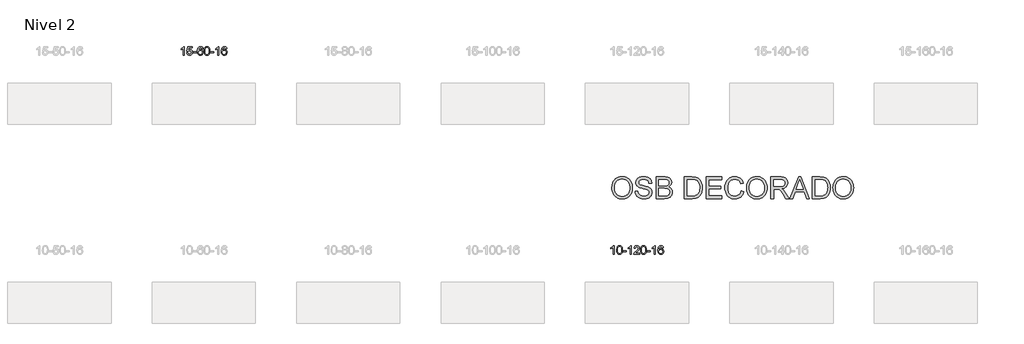
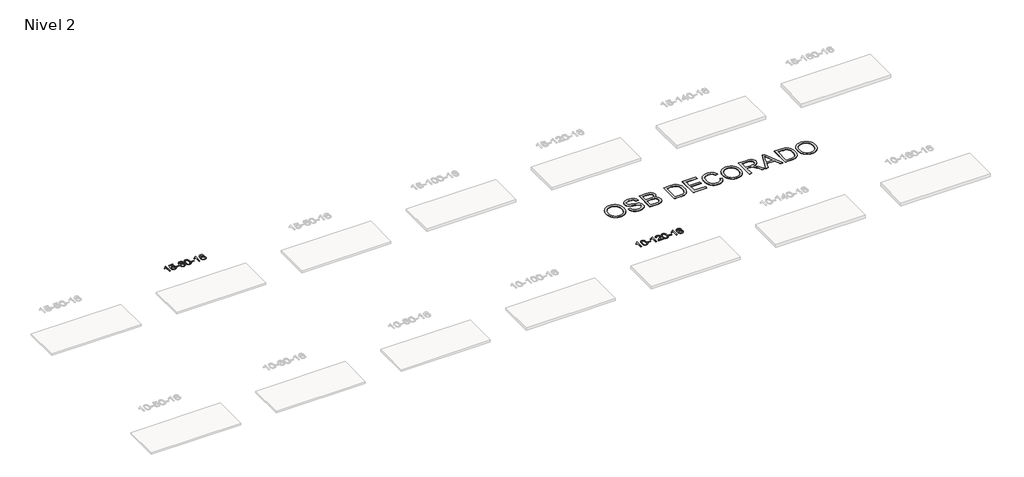
# One storey, part 31 of 51: 3 proxies.
"""IFC4 building model written with IfcOpenShell, lengths in millimetres."""

from ifc_helpers import new_model, si_unit, frame, origin, place, context, project, spatial, polyline, outline, extrude, element, save

model = new_model("IFC4")

# Units and contexts
model_context = context("Model", 3, world=origin())
ifc_project = project(units=[si_unit("LENGTHUNIT", "METRE", prefix="MILLI")], contexts=[model_context])

# Site, building, storey
site = spatial("IfcSite", under=ifc_project)
building = spatial("IfcBuilding", under=site)
storey = spatial("IfcBuildingStorey", under=building, Name="Nivel 2", Elevation=3000.0)

# Proxies
placement = place(None, origin())
element("IfcBuildingElementProxy", 1, Name="Texto de modelo 1", ObjectType="Texto de modelo 1", at=placement, inside=storey, context=model_context, shape_type="SweptSolid", body=[
    extrude(outline(polyline([(4824.6154698, -77088.6860497), (4774.3873148, -77088.6860497), (4774.3873148, -76775.5448954), (4753.418041, -76792.5042554), (4726.80791, -76809.4390899), (4673.9310046, -76834.7984221), (4673.9310046, -76787.3171193), (4713.3802172, -76765.8573362), (4747.5564546, -76740.3263258), (4774.4976794, -76713.1766345), (4792.2418543, -76686.8608091), (4824.6154698, -76686.8608091), (4824.6154698, -77088.6860497)])), frame((0.0, 0.0, 3000.0), z_axis=(0.0, 0.0, 1.0), x_axis=(1.0, 0.0, 0.0)), (0.0, 0.0, 1.0), 10.0),
    extrude(outline(polyline([(4943.9073381, -76981.9512202), (4994.1354932, -76975.6727008), (5003.3570686, -77005.8267617), (5019.4457745, -77027.4214348), (5042.3280346, -77040.4076692), (5071.9302725, -77044.736414), (5091.0601362, -77043.2311636), (5107.933657, -77038.7154121), (5122.550835, -77031.1891596), (5134.91167, -77020.6524061), (5144.7402507, -77007.6263178), (5151.7606654, -76992.6320608), (5157.3769972, -76956.7390408), (5152.1162847, -76922.9429482), (5145.540394, -76909.024746), (5136.3341471, -76897.0931066), (5124.466887, -76887.5220434), (5109.9079571, -76880.6855697), (5072.7150874, -76875.2163907), (5048.3490366, -76877.3991572), (5028.6182989, -76883.9474567), (5012.8606868, -76893.9783724), (5000.4140126, -76906.6089876), (4950.1858575, -76900.3304682), (4994.1354932, -76693.1393285), (5188.7695941, -76693.1393285), (5188.7695941, -76743.3674836), (5034.7496655, -76743.3674836), (5013.265357, -76854.0263877), (5030.9911378, -76841.3221962), (5049.1461142, -76832.2477736), (5067.7302863, -76826.8031201), (5086.7436541, -76824.9882356), (5111.2047411, -76827.2384471), (5133.673134, -76833.9890817), (5154.1488327, -76845.2401394), (5172.6318373, -76860.9916202), (5187.9326626, -76880.2808995), (5198.8618235, -76902.1453527), (5205.4193201, -76926.5849799), (5207.6051523, -76953.5997811), (5205.6369836, -76979.6213009), (5199.7324776, -77003.8279362), (5189.8916342, -77026.219687), (5176.1144535, -77046.7965532), (5155.2432816, -77067.8700602), (5130.8894935, -77082.9225651), (5103.0530892, -77091.9540681), (5071.7340687, -77094.9645691), (5045.8137165, -77093.030123), (5022.4010932, -77087.2267845), (5001.4961988, -77077.5545537), (4983.0990334, -77064.0134306), (4967.7920767, -77047.2778655), (4956.1578086, -77028.0223087), (4948.1962291, -77006.2467603), (4943.9073381, -76981.9512202)])), frame((0.0, 0.0, 3000.0), z_axis=(0.0, 0.0, 1.0), x_axis=(1.0, 0.0, 0.0)), (0.0, 0.0, 1.0), 10.0),
    extrude(outline(polyline([(5238.9977492, -76969.3941814), (5238.9977492, -76919.1660264), (5395.9607338, -76919.1660264), (5395.9607338, -76969.3941814), (5238.9977492, -76969.3941814)])), frame((0.0, 0.0, 3000.0), z_axis=(0.0, 0.0, 1.0), x_axis=(1.0, 0.0, 0.0)), (0.0, 0.0, 1.0), 10.0),
    extrude(outline(polyline([(5697.3296643, -76793.5956387), (5647.1015092, -76799.8741581), (5639.0081053, -76774.9808097), (5628.0697473, -76757.9846615), (5605.2855891, -76742.3128885), (5577.7434904, -76737.0889642), (5554.3952464, -76740.130122), (5532.4204286, -76749.2535955), (5513.5480822, -76768.4692984), (5498.1338266, -76794.9200139), (5487.7227661, -76832.3336128), (5483.8600052, -76884.437966), (5504.0076758, -76860.9303065), (5528.1529974, -76844.363354), (5554.9470694, -76834.5409047), (5583.0409911, -76831.266755), (5607.17405, -76833.5047038), (5629.4431734, -76840.2185502), (5649.8483614, -76851.4082942), (5668.389614, -76867.0739358), (5683.7977382, -76886.2835074), (5694.8035412, -76908.105041), (5701.407023, -76932.5385369), (5703.6081836, -76959.5839949), (5699.4633798, -76995.5505913), (5687.0289684, -77028.8929628), (5667.3350189, -77057.1708255), (5641.411601, -77077.9438955), (5610.435937, -77090.7094007), (5575.5852493, -77094.9645691), (5545.6427206, -77092.1441405), (5518.6003283, -77083.6828546), (5494.4580723, -77069.5807115), (5473.2159528, -77049.837711), (5455.8979079, -77023.6199875), (5443.5278758, -76990.093675), (5436.1058565, -76949.2587736), (5433.6318501, -76901.1152831), (5436.3787023, -76847.1408631), (5444.619259, -76801.0759059), (5458.3535202, -76762.9204116), (5477.5814858, -76732.6743803), (5498.4220008, -76712.6309429), (5522.5857165, -76698.3142019), (5550.072633, -76689.7241573), (5580.88275, -76686.8608091), (5604.0163962, -76688.6327741), (5624.9550131, -76693.9486689), (5643.6986007, -76702.8084936), (5660.2471591, -76715.2122482), (5674.1530986, -76730.7429998), (5684.9688292, -76748.9838154), (5692.6943511, -76769.934695), (5697.3296643, -76793.5956387)]), holes=[polyline([(5483.8600052, -76958.79918), (5486.7662729, -76981.0560407), (5495.4850762, -77002.3073573), (5509.0231337, -77020.5788297), (5526.3871638, -77033.8961579), (5547.3441748, -77042.02635), (5571.6611747, -77044.736414), (5604.8073425, -77039.1200823), (5618.7224789, -77032.0996675), (5630.8656505, -77022.2710869), (5640.7156909, -77010.0328792), (5647.751434, -76995.7835832), (5653.3800286, -76961.2517266), (5647.8250104, -76928.1055588), (5640.8812378, -76914.484728), (5631.1599561, -76902.8320658), (5618.9799963, -76893.4970601), (5604.6601897, -76886.829199), (5569.6010355, -76881.4949101), (5536.5039187, -76886.829199), (5508.8269299, -76902.8320658), (5497.9039004, -76914.3314438), (5490.1017364, -76927.4924222), (5485.420438, -76942.3150009), (5483.8600052, -76958.79918)])]), frame((0.0, 0.0, 3000.0), z_axis=(0.0, 0.0, 1.0), x_axis=(1.0, 0.0, 0.0)), (0.0, 0.0, 1.0), 10.0),
    extrude(outline(polyline([(5747.5578193, -76891.010791), (5751.248902, -76826.6927555), (5762.3221501, -76775.3977426), (5780.6671989, -76736.3409375), (5792.5252619, -76721.1075572), (5806.1736839, -76708.7375251), (5821.6584502, -76699.1664619), (5839.0255461, -76692.3299881), (5879.4067264, -76686.8608091), (5910.3578649, -76690.0981707), (5938.0716419, -76699.8102554), (5961.2482076, -76715.6169184), (5978.5877123, -76737.1380151), (5991.6843113, -76764.1896045), (6002.13216, -76796.5877456), (6008.9747651, -76837.7292154), (6011.2556335, -76891.010791), (6007.601339, -76954.9609445), (5996.6384555, -77006.13333), (5978.4037713, -77045.2269234), (5966.5732995, -77060.5062889), (5952.9340745, -77072.9407003), (5937.4309141, -77082.5761429), (5920.0086359, -77089.4586019), (5879.4067264, -77094.9645691), (5851.7420004, -77092.5733362), (5827.216534, -77085.3996372), (5805.8303274, -77073.4434724), (5787.5833804, -77056.7048416), (5770.0721974, -77026.4465475), (5757.5642096, -76988.7447744), (5750.0594169, -76943.5995222), (5747.5578193, -76891.010791)]), holes=[polyline([(5797.7859744, -76890.9126891), (5799.2575024, -76934.5772163), (5803.6720863, -76969.921479), (5811.0297262, -76996.9454772), (5821.3304221, -77015.649211), (5833.789359, -77028.3748623), (5847.621722, -77037.4646133), (5862.8275112, -77042.9184639), (5879.4067264, -77044.736414), (5895.9859417, -77042.9123325), (5911.1917308, -77037.4400878), (5925.0240938, -77028.31968), (5937.4830307, -77015.5511091), (5947.7837266, -76996.8167185), (5955.1413665, -76969.7988516), (5959.5559504, -76934.4975085), (5961.0274784, -76890.9126891), (5959.6050013, -76848.4039246), (5955.3375702, -76813.6819956), (5948.225185, -76786.7469022), (5938.2678456, -76767.5986443), (5926.0173752, -76754.2506593), (5912.0255966, -76744.7163842), (5896.29251, -76738.9958192), (5878.8181152, -76737.0889642), (5862.3247391, -76738.7689587), (5847.3764674, -76743.808942), (5833.9733, -76752.2089142), (5822.115237, -76763.9688753), (5811.4711846, -76784.8155217), (5803.8682901, -76812.9217062), (5799.3065533, -76848.2874286), (5797.7859744, -76890.9126891)])]), frame((0.0, 0.0, 3000.0), z_axis=(0.0, 0.0, 1.0), x_axis=(1.0, 0.0, 0.0)), (0.0, 0.0, 1.0), 10.0),
    extrude(outline(polyline([(6042.6482304, -76969.3941814), (6042.6482304, -76919.1660264), (6199.611215, -76919.1660264), (6199.611215, -76969.3941814), (6042.6482304, -76969.3941814)])), frame((0.0, 0.0, 3000.0), z_axis=(0.0, 0.0, 1.0), x_axis=(1.0, 0.0, 0.0)), (0.0, 0.0, 1.0), 10.0),
    extrude(outline(polyline([(6431.9164322, -77088.6860497), (6381.6882771, -77088.6860497), (6381.6882771, -76775.5448954), (6360.7190034, -76792.5042554), (6334.1088724, -76809.4390899), (6281.231967, -76834.7984221), (6281.231967, -76787.3171193), (6320.6811796, -76765.8573362), (6354.857417, -76740.3263258), (6381.7986417, -76713.1766345), (6399.5428166, -76686.8608091), (6431.9164322, -76686.8608091), (6431.9164322, -77088.6860497)])), frame((0.0, 0.0, 3000.0), z_axis=(0.0, 0.0, 1.0), x_axis=(1.0, 0.0, 0.0)), (0.0, 0.0, 1.0), 10.0),
    extrude(outline(polyline([(6808.6275953, -76793.5956387), (6758.3994402, -76799.8741581), (6750.3060363, -76774.9808097), (6739.3676783, -76757.9846615), (6716.5835201, -76742.3128885), (6689.0414214, -76737.0889642), (6665.6931774, -76740.130122), (6643.7183596, -76749.2535955), (6624.8460132, -76768.4692984), (6609.4317576, -76794.9200139), (6599.0206972, -76832.3336128), (6595.1579362, -76884.437966), (6615.3056068, -76860.9303065), (6639.4509284, -76844.363354), (6666.2450004, -76834.5409047), (6694.3389221, -76831.266755), (6718.471981, -76833.5047038), (6740.7411044, -76840.2185502), (6761.1462924, -76851.4082942), (6779.687545, -76867.0739358), (6795.0956692, -76886.2835074), (6806.1014723, -76908.105041), (6812.7049541, -76932.5385369), (6814.9061147, -76959.5839949), (6810.7613109, -76995.5505913), (6798.3268994, -77028.8929628), (6778.6329499, -77057.1708255), (6752.709532, -77077.9438955), (6721.733868, -77090.7094007), (6686.8831803, -77094.9645691), (6656.9406516, -77092.1441405), (6629.8982593, -77083.6828546), (6605.7560034, -77069.5807115), (6584.5138838, -77049.837711), (6567.1958389, -77023.6199875), (6554.8258068, -76990.093675), (6547.4037876, -76949.2587736), (6544.9297811, -76901.1152831), (6547.6766334, -76847.1408631), (6555.9171901, -76801.0759059), (6569.6514512, -76762.9204116), (6588.8794168, -76732.6743803), (6609.7199319, -76712.6309429), (6633.8836476, -76698.3142019), (6661.370564, -76689.7241573), (6692.1806811, -76686.8608091), (6715.3143272, -76688.6327741), (6736.2529441, -76693.9486689), (6754.9965318, -76702.8084936), (6771.5450902, -76715.2122482), (6785.4510296, -76730.7429998), (6796.2667602, -76748.9838154), (6803.9922821, -76769.934695), (6808.6275953, -76793.5956387)]), holes=[polyline([(6595.1579362, -76958.79918), (6598.064204, -76981.0560407), (6606.7830073, -77002.3073573), (6620.3210647, -77020.5788297), (6637.6850949, -77033.8961579), (6658.6421059, -77042.02635), (6682.9591057, -77044.736414), (6716.1052735, -77039.1200823), (6730.02041, -77032.0996675), (6742.1635815, -77022.2710869), (6752.0136219, -77010.0328792), (6759.0493651, -76995.7835832), (6764.6779596, -76961.2517266), (6759.1229415, -76928.1055588), (6752.1791688, -76914.484728), (6742.4578871, -76902.8320658), (6730.2779274, -76893.4970601), (6715.9581207, -76886.829199), (6680.8989666, -76881.4949101), (6647.8018497, -76886.829199), (6620.124861, -76902.8320658), (6609.2018314, -76914.3314438), (6601.3996674, -76927.4924222), (6596.718369, -76942.3150009), (6595.1579362, -76958.79918)])]), frame((0.0, 0.0, 3000.0), z_axis=(0.0, 0.0, 1.0), x_axis=(1.0, 0.0, 0.0)), (0.0, 0.0, 1.0), 10.0),
])
element("IfcBuildingElementProxy", 2, Name="Texto de modelo 1", ObjectType="Texto de modelo 1", at=placement, inside=storey, context=model_context, shape_type="SweptSolid", body=[
    extrude(outline(polyline([(24815.6133494, -86347.0667526), (24765.3851943, -86347.0667526), (24765.3851943, -86033.9255983), (24744.4159206, -86050.8849583), (24717.8057896, -86067.8197928), (24664.9288842, -86093.179125), (24664.9288842, -86045.6978222), (24704.3780968, -86024.2380391), (24738.5543341, -85998.7070287), (24765.4955589, -85971.5573374), (24783.2397338, -85945.241512), (24815.6133494, -85945.241512), (24815.6133494, -86347.0667526)])), frame((0.0, 0.0, 3000.0), z_axis=(0.0, 0.0, 1.0), x_axis=(1.0, 0.0, 0.0)), (0.0, 0.0, 1.0), 10.0),
    extrude(outline(polyline([(24934.9052177, -86149.3914939), (24938.5963004, -86085.0734584), (24949.6695484, -86033.7784455), (24968.0145973, -85994.7216404), (24979.8726602, -85979.4882601), (24993.5210823, -85967.118228), (25009.0058486, -85957.5471648), (25026.3729444, -85950.710691), (25066.7541248, -85945.241512), (25097.7052633, -85948.4788736), (25125.4190403, -85958.1909583), (25148.595606, -85973.9976213), (25165.9351107, -85995.518718), (25179.0317097, -86022.5703074), (25189.4795584, -86054.9684485), (25196.3221635, -86096.1099183), (25198.6030318, -86149.3914939), (25194.9487373, -86213.3416474), (25183.9858539, -86264.5140329), (25165.7511697, -86303.6076263), (25153.9206978, -86318.8869918), (25140.2814729, -86331.3214032), (25124.7783125, -86340.9568458), (25107.3560343, -86347.8393048), (25066.7541248, -86353.345272), (25039.0893987, -86350.9540391), (25014.5639324, -86343.7803401), (24993.1777257, -86331.8241753), (24974.9307788, -86315.0855445), (24957.4195958, -86284.8272504), (24944.911608, -86247.1254773), (24937.4068153, -86201.9802251), (24934.9052177, -86149.3914939)]), holes=[polyline([(24985.1333728, -86149.293392), (24986.6049007, -86192.9579192), (24991.0194847, -86228.3021819), (24998.3771246, -86255.3261801), (25008.6778205, -86274.0299139), (25021.1367574, -86286.7555652), (25034.9691204, -86295.8453162), (25050.1749095, -86301.2991668), (25066.7541248, -86303.1171169), (25083.33334, -86301.2930354), (25098.5391291, -86295.8207907), (25112.3714922, -86286.7003829), (25124.8304291, -86273.931812), (25135.1311249, -86255.1974214), (25142.4887648, -86228.1795545), (25146.9033488, -86192.8782114), (25148.3748768, -86149.293392), (25146.9523997, -86106.7846275), (25142.6849686, -86072.0626985), (25135.5725833, -86045.1276051), (25125.615244, -86025.9793472), (25113.3647735, -86012.6313622), (25099.372995, -86003.0970871), (25083.6399083, -85997.3765221), (25066.1655136, -85995.4696671), (25049.6721375, -85997.1496616), (25034.7238657, -86002.1896449), (25021.3206984, -86010.5896171), (25009.4626354, -86022.3495782), (24998.818583, -86043.1962246), (24991.2156884, -86071.3024091), (24986.6539517, -86106.6681315), (24985.1333728, -86149.293392)])]), frame((0.0, 0.0, 3000.0), z_axis=(0.0, 0.0, 1.0), x_axis=(1.0, 0.0, 0.0)), (0.0, 0.0, 1.0), 10.0),
    extrude(outline(polyline([(25229.9956288, -86227.7748843), (25229.9956288, -86177.5467293), (25386.9586134, -86177.5467293), (25386.9586134, -86227.7748843), (25229.9956288, -86227.7748843)])), frame((0.0, 0.0, 3000.0), z_axis=(0.0, 0.0, 1.0), x_axis=(1.0, 0.0, 0.0)), (0.0, 0.0, 1.0), 10.0),
    extrude(outline(polyline([(25619.2638306, -86347.0667526), (25569.0356755, -86347.0667526), (25569.0356755, -86033.9255983), (25548.0664018, -86050.8849583), (25521.4562708, -86067.8197928), (25468.5793654, -86093.179125), (25468.5793654, -86045.6978222), (25508.028578, -86024.2380391), (25542.2048153, -85998.7070287), (25569.1460401, -85971.5573374), (25586.890215, -85945.241512), (25619.2638306, -85945.241512), (25619.2638306, -86347.0667526)])), frame((0.0, 0.0, 3000.0), z_axis=(0.0, 0.0, 1.0), x_axis=(1.0, 0.0, 0.0)), (0.0, 0.0, 1.0), 10.0),
    extrude(outline(polyline([(25995.9749936, -86296.8385976), (25995.9749936, -86347.0667526), (25732.2771795, -86347.0667526), (25733.3808255, -86329.3838914), (25737.6727821, -86312.4367942), (25750.0581426, -86285.372942), (25768.1824622, -86259.1184303), (25794.4001858, -86231.6376453), (25831.0657579, -86200.8949732), (25885.2670386, -86152.7514828), (25917.7878069, -86117.2140821), (25934.0481911, -86088.3721336), (25939.4683192, -86060.3150001), (25934.3547595, -86035.1641344), (25919.0140803, -86014.2561743), (25895.4328444, -86000.1662939), (25865.5976146, -85995.4696671), (25834.2663313, -86000.0559293), (25809.924806, -86013.8147159), (25794.2162448, -86035.6669065), (25788.783854, -86064.5333803), (25738.5556989, -86058.254861), (25742.8752466, -86032.3253117), (25750.7325929, -86009.6699121), (25762.1277377, -85990.2886623), (25777.060681, -85974.1815623), (25795.1880664, -85961.5202903), (25816.1665371, -85952.4765246), (25839.9960934, -85947.0502652), (25866.6767351, -85945.241512), (25893.5965001, -85947.2526003), (25917.554815, -85953.285865), (25938.5516799, -85963.3413062), (25956.5870947, -85977.4189239), (25971.0724483, -85994.4763857), (25981.4191294, -86013.4713594), (25987.627138, -86034.4038449), (25989.6964743, -86057.2738423), (25987.4646568, -86081.2965366), (25980.7692045, -86104.9022979), (25968.8866161, -86128.9127295), (25951.0933902, -86154.1494344), (25922.7296884, -86184.2789698), (25879.135672, -86222.9678929), (25821.3536733, -86271.2830616), (25798.6921424, -86296.8385976), (25995.9749936, -86296.8385976)])), frame((0.0, 0.0, 3000.0), z_axis=(0.0, 0.0, 1.0), x_axis=(1.0, 0.0, 0.0)), (0.0, 0.0, 1.0), 10.0),
    extrude(outline(polyline([(26046.2031487, -86149.3914939), (26049.8942314, -86085.0734584), (26060.9674795, -86033.7784455), (26079.3125283, -85994.7216404), (26091.1705913, -85979.4882601), (26104.8190133, -85967.118228), (26120.3037796, -85957.5471648), (26137.6708755, -85950.710691), (26178.0520558, -85945.241512), (26209.0031943, -85948.4788736), (26236.7169713, -85958.1909583), (26259.893537, -85973.9976213), (26277.2330417, -85995.518718), (26290.3296407, -86022.5703074), (26300.7774894, -86054.9684485), (26307.6200945, -86096.1099183), (26309.9009629, -86149.3914939), (26306.2466684, -86213.3416474), (26295.2837849, -86264.5140329), (26277.0491007, -86303.6076263), (26265.2186289, -86318.8869918), (26251.5794039, -86331.3214032), (26236.0762435, -86340.9568458), (26218.6539653, -86347.8393048), (26178.0520558, -86353.345272), (26150.3873298, -86350.9540391), (26125.8618634, -86343.7803401), (26104.4756568, -86331.8241753), (26086.2287098, -86315.0855445), (26068.7175268, -86284.8272504), (26056.209539, -86247.1254773), (26048.7047463, -86201.9802251), (26046.2031487, -86149.3914939)]), holes=[polyline([(26096.4313038, -86149.293392), (26097.9028318, -86192.9579192), (26102.3174157, -86228.3021819), (26109.6750556, -86255.3261801), (26119.9757515, -86274.0299139), (26132.4346884, -86286.7555652), (26146.2670514, -86295.8453162), (26161.4728405, -86301.2991668), (26178.0520558, -86303.1171169), (26194.631271, -86301.2930354), (26209.8370602, -86295.8207907), (26223.6694232, -86286.7003829), (26236.1283601, -86273.931812), (26246.429056, -86255.1974214), (26253.7866959, -86228.1795545), (26258.2012798, -86192.8782114), (26259.6728078, -86149.293392), (26258.2503307, -86106.7846275), (26253.9828996, -86072.0626985), (26246.8705144, -86045.1276051), (26236.913175, -86025.9793472), (26224.6627046, -86012.6313622), (26210.670926, -86003.0970871), (26194.9378394, -85997.3765221), (26177.4634446, -85995.4696671), (26160.9700685, -85997.1496616), (26146.0217967, -86002.1896449), (26132.6186294, -86010.5896171), (26120.7605664, -86022.3495782), (26110.116514, -86043.1962246), (26102.5136194, -86071.3024091), (26097.9518827, -86106.6681315), (26096.4313038, -86149.293392)])]), frame((0.0, 0.0, 3000.0), z_axis=(0.0, 0.0, 1.0), x_axis=(1.0, 0.0, 0.0)), (0.0, 0.0, 1.0), 10.0),
    extrude(outline(polyline([(26341.2935598, -86227.7748843), (26341.2935598, -86177.5467293), (26498.2565444, -86177.5467293), (26498.2565444, -86227.7748843), (26341.2935598, -86227.7748843)])), frame((0.0, 0.0, 3000.0), z_axis=(0.0, 0.0, 1.0), x_axis=(1.0, 0.0, 0.0)), (0.0, 0.0, 1.0), 10.0),
    extrude(outline(polyline([(26730.5617616, -86347.0667526), (26680.3336065, -86347.0667526), (26680.3336065, -86033.9255983), (26659.3643328, -86050.8849583), (26632.7542018, -86067.8197928), (26579.8772964, -86093.179125), (26579.8772964, -86045.6978222), (26619.326509, -86024.2380391), (26653.5027464, -85998.7070287), (26680.4439711, -85971.5573374), (26698.188146, -85945.241512), (26730.5617616, -85945.241512), (26730.5617616, -86347.0667526)])), frame((0.0, 0.0, 3000.0), z_axis=(0.0, 0.0, 1.0), x_axis=(1.0, 0.0, 0.0)), (0.0, 0.0, 1.0), 10.0),
    extrude(outline(polyline([(27107.2729247, -86051.9763416), (27057.0447696, -86058.254861), (27048.9513657, -86033.3615126), (27038.0130077, -86016.3653644), (27015.2288495, -86000.6935914), (26987.6867508, -85995.4696671), (26964.3385068, -85998.5108249), (26942.363689, -86007.6342984), (26923.4913426, -86026.8500013), (26908.077087, -86053.3007168), (26897.6660266, -86090.7143157), (26893.8032656, -86142.8186689), (26913.9509362, -86119.3110094), (26938.0962578, -86102.7440569), (26964.8903298, -86092.9216076), (26992.9842515, -86089.6474579), (27017.1173104, -86091.8854067), (27039.3864338, -86098.5992531), (27059.7916218, -86109.7889971), (27078.3328744, -86125.4546387), (27093.7409986, -86144.6642103), (27104.7468016, -86166.4857439), (27111.3502835, -86190.9192398), (27113.5514441, -86217.9646978), (27109.4066402, -86253.9312942), (27096.9722288, -86287.2736657), (27077.2782793, -86315.5515284), (27051.3548614, -86336.3245984), (27020.3791974, -86349.0901036), (26985.5285097, -86353.345272), (26955.585981, -86350.5248434), (26928.5435887, -86342.0635575), (26904.4013328, -86327.9614144), (26883.1592132, -86308.2184139), (26865.8411683, -86282.0006904), (26853.4711362, -86248.4743779), (26846.0491169, -86207.6394765), (26843.5751105, -86159.495986), (26846.3219628, -86105.521566), (26854.5625195, -86059.4566088), (26868.2967806, -86021.3011145), (26887.5247462, -85991.0550832), (26908.3652612, -85971.0116458), (26932.528977, -85956.6949048), (26960.0158934, -85948.1048602), (26990.8260105, -85945.241512), (27013.9596566, -85947.013477), (27034.8982735, -85952.3293718), (27053.6418611, -85961.1891965), (27070.1904196, -85973.5929511), (27084.096359, -85989.1237027), (27094.9120896, -86007.3645183), (27102.6376115, -86028.3153979), (27107.2729247, -86051.9763416)]), holes=[polyline([(26893.8032656, -86217.1798829), (26896.7095334, -86239.4367436), (26905.4283367, -86260.6880602), (26918.9663941, -86278.9595326), (26936.3304242, -86292.2768608), (26957.2874352, -86300.4070529), (26981.6044351, -86303.1171169), (27014.7506029, -86297.5007852), (27028.6657394, -86290.4803704), (27040.8089109, -86280.6517898), (27050.6589513, -86268.4135821), (27057.6946945, -86254.1642861), (27063.323289, -86219.6324295), (27057.7682709, -86186.4862617), (27050.8244982, -86172.8654309), (27041.1032165, -86161.2127687), (27028.9232568, -86151.877763), (27014.6034501, -86145.2099019), (26979.5442959, -86139.875613), (26946.4471791, -86145.2099019), (26918.7701903, -86161.2127687), (26907.8471608, -86172.7121467), (26900.0449968, -86185.8731251), (26895.3636984, -86200.6957038), (26893.8032656, -86217.1798829)])]), frame((0.0, 0.0, 3000.0), z_axis=(0.0, 0.0, 1.0), x_axis=(1.0, 0.0, 0.0)), (0.0, 0.0, 1.0), 10.0),
])
element("IfcBuildingElementProxy", 3, Name="Texto de modelo 2", ObjectType="Texto de modelo 2", at=placement, inside=storey, context=model_context, shape_type="SweptSolid", body=[
    extrude(outline(polyline([(24705.856584, -83266.4957743), (24707.9489129, -83205.8910477), (24714.2258994, -83148.6662369), (24724.6875436, -83094.821342), (24739.3338456, -83044.3563629), (24758.1648052, -82997.2712996), (24781.1804225, -82953.5661522), (24808.3806976, -82913.2409206), (24839.7656303, -82876.2956048), (24874.4576688, -82843.2437068), (24911.5792614, -82814.5987285), (24951.130408, -82790.36067), (24993.1111086, -82770.5295312), (25037.5213632, -82755.1053121), (25084.3611718, -82744.0880128), (25133.6305344, -82737.4776332), (25185.3294511, -82735.2741733), (25252.9124393, -82739.4128457), (25317.092519, -82751.8288631), (25377.8696903, -82772.5222253), (25435.2439531, -82801.4929324), (25487.6058238, -82837.8672647), (25533.3458185, -82880.7715024), (25572.4639373, -82930.2056455), (25604.9601802, -82986.169694), (25630.4973221, -83047.3913894), (25648.7381377, -83112.598473), (25659.682627, -83181.7909449), (25663.3307901, -83254.9688051), (25659.4910218, -83329.1123556), (25647.9717168, -83399.2398609), (25628.7728752, -83465.3513211), (25601.8944969, -83527.4467362), (25567.9727113, -83583.8859657), (25527.6436476, -83633.0288688), (25480.9073058, -83674.8754458), (25427.7636859, -83709.4256965), (25370.3051168, -83736.4650232), (25310.6239273, -83755.7788279), (25248.7201174, -83767.3671108), (25184.5936871, -83771.2298717), (25115.8304108, -83766.9609077), (25050.8072682, -83754.1540158), (24989.5242591, -83732.8091958), (24931.9813837, -83702.9264479), (24879.6808267, -83665.6630675), (24834.124773, -83622.17635), (24795.3132225, -83572.4662954), (24763.2461753, -83516.5329037), (24738.1382291, -83456.621788), (24720.2039818, -83394.9785611), (24709.4434335, -83331.6032233), (24705.856584, -83266.4957743)]), holes=[polyline([(24831.4269717, -83267.7220476), (24832.9962183, -83310.5151543), (24837.7039583, -83350.9706775), (24845.5501914, -83389.0886171), (24856.5349179, -83424.8689732), (24870.6581376, -83458.3117459), (24887.9198506, -83489.416935), (24908.3200569, -83518.1845406), (24931.8587564, -83544.6145627), (24957.7656963, -83568.2969661), (24985.2706236, -83588.8217158), (25014.3735383, -83606.1888116), (25045.0744404, -83620.3982537), (25077.37333, -83631.450042), (25111.2702069, -83639.3441764), (25146.7650713, -83644.0806571), (25183.8579231, -83645.659484), (25221.6290573, -83644.0653287), (25257.687241, -83639.2828628), (25292.0324741, -83631.3120862), (25324.6647567, -83620.152999), (25355.5840888, -83605.8056012), (25384.7904703, -83588.2698928), (25412.2839013, -83567.5458737), (25438.0643818, -83543.633544), (25461.4306366, -83516.7896547), (25481.6813908, -83487.2709567), (25498.8166444, -83455.07745), (25512.8363973, -83420.2091346), (25523.7406495, -83382.6660106), (25531.5294012, -83342.4480779), (25536.2026521, -83299.5553365), (25537.7604024, -83253.9877865), (25535.093258, -83196.5215532), (25527.0918246, -83142.8261103), (25513.7561023, -83092.9014578), (25495.086091, -83046.7475959), (25471.2887244, -83004.9699968), (25442.5709362, -82968.1741331), (25408.9327263, -82936.3600047), (25370.3740946, -82909.5276117), (25328.0906578, -82888.228777), (25283.2780323, -82873.0153236), (25235.936218, -82863.8872516), (25186.0652151, -82860.844561), (25115.9990234, -82866.7076803), (25050.9912092, -82884.2970382), (25020.3841936, -82897.4890566), (24991.0417724, -82913.6126347), (24936.150713, -82954.6544697), (24911.6060861, -82980.0670682), (24890.3340762, -83009.3999092), (24872.3346832, -83042.6529926), (24857.607907, -83079.8263186), (24846.1537478, -83120.9198871), (24837.9722055, -83165.9336981), (24833.0632802, -83214.8677516), (24831.4269717, -83267.7220476)])]), frame((0.0, 0.0, 3000.0), z_axis=(0.0, 0.0, 1.0), x_axis=(1.0, 0.0, 0.0)), (0.0, 0.0, 1.0), 10.0),
    extrude(outline(polyline([(25788.9011778, -83410.2150071), (25914.4715655, -83410.2150071), (25920.2197217, -83446.7656162), (25928.880277, -83479.8979884), (25940.4532314, -83509.6121237), (25954.938585, -83535.9080221), (25973.0721017, -83559.3145141), (25995.5895454, -83580.3604299), (26022.4909163, -83599.0457695), (26053.7762143, -83615.3705331), (26088.2958082, -83628.6219491), (26124.9000668, -83638.0872463), (26163.5889899, -83643.7664246), (26204.3625777, -83645.659484), (26274.3214705, -83639.9266563), (26306.0359641, -83632.7606216), (26335.5738227, -83622.728173), (26362.2069463, -83610.1895283), (26385.2072352, -83595.5049053), (26404.5746894, -83578.6743041), (26420.3093089, -83559.6977245), (26432.4877358, -83539.3952369), (26441.1866121, -83518.5869115), (26446.4059379, -83497.2727484), (26448.1457132, -83475.4527476), (26442.9340516, -83433.4222296), (26427.2990668, -83397.0938826), (26414.1472855, -83380.9760527), (26395.5385879, -83366.0998245), (26371.472974, -83352.4651981), (26341.9504439, -83340.0721734), (26275.6397143, -83320.3598298), (26159.1130923, -83292.1248867), (26039.0915914, -83260.3950646), (25995.2906413, -83245.1049691), (25962.2962249, -83230.1980841), (25928.7653139, -83210.1945006), (25899.7869425, -83187.9529684), (25875.3611109, -83163.4734873), (25855.4878189, -83136.7560574), (25840.0904246, -83108.0765901), (25829.0922858, -83077.7109971), (25822.4934025, -83045.6592783), (25820.2937747, -83011.9214337), (25823.0145687, -82974.5277617), (25831.1769504, -82938.3756915), (25844.78092, -82903.465223), (25863.8264775, -82869.7963562), (25888.099025, -82838.7409844), (25917.3839646, -82811.671001), (25951.6812965, -82788.5864058), (25990.9910205, -82769.4871988), (26033.9872287, -82754.5190002), (26079.344013, -82743.8274297), (26127.0613735, -82737.4124874), (26177.1393101, -82735.2741733), (26231.7697863, -82737.5121221), (26283.0893247, -82744.2259685), (26331.097925, -82755.4157125), (26375.7955875, -82771.0813541), (26416.3545774, -82791.0849376), (26451.9471605, -82815.2885072), (26482.5733366, -82843.6920629), (26508.2331057, -82876.2956048), (26528.7271985, -82912.1487709), (26543.8563456, -82950.3011995), (26553.6205469, -82990.7528905), (26558.0198024, -83033.503844), (26432.4494147, -83033.503844), (26424.0494425, -82993.4353634), (26409.3954764, -82958.5785444), (26388.4875163, -82928.9333869), (26361.3255623, -82904.4998911), (26327.4037767, -82885.4006842), (26286.2163216, -82871.7583935), (26237.7631972, -82863.5730191), (26182.0444033, -82860.844561), (26124.5475132, -82863.5423623), (26075.4199384, -82871.6357662), (26034.661679, -82885.1247727), (26002.272735, -82904.0093817), (25977.5939845, -82926.7107665), (25959.9663056, -82951.6501001), (25949.3896982, -82978.8273825), (25945.8641624, -83008.2426137), (25948.3626943, -83033.5498293), (25955.85829, -83056.4964687), (25968.3509494, -83077.0825321), (25985.8406726, -83095.3080192), (26013.3705085, -83112.5678162), (26056.7192703, -83130.0115541), (26115.8869579, -83147.639233), (26190.8735712, -83165.450853), (26329.3198287, -83199.1120555), (26378.0335363, -83214.3331731), (26413.0742963, -83228.4813015), (26451.5716143, -83249.9257561), (26484.6580012, -83274.0373552), (26512.3334571, -83300.8160988), (26534.597982, -83330.2619868), (26551.712159, -83362.2217351), (26563.9365712, -83396.5420596), (26571.2712184, -83433.2229602), (26573.7161009, -83472.264437), (26570.9033364, -83511.5435041), (26562.4650432, -83549.6729401), (26548.4012211, -83586.6527448), (26528.7118701, -83622.4829183), (26503.7418797, -83655.7762389), (26473.8361392, -83685.1454848), (26438.9946485, -83710.5906562), (26399.2174078, -83732.1117529), (26355.6617124, -83749.2259299), (26309.4848578, -83761.450342), (26260.686844, -83768.7849893), (26209.267671, -83771.2298717), (26145.0339418, -83768.5933841), (26086.2418004, -83760.6839212), (26032.8912469, -83747.501483), (25984.9822813, -83729.0460696), (25942.2236635, -83705.2870241), (25904.3241538, -83676.1936896), (25871.2837521, -83641.7660662), (25843.1024584, -83602.0041539), (25820.4010737, -83558.1955397), (25803.8003986, -83511.6278104), (25793.3004333, -83462.3009663), (25788.9011778, -83410.2150071)])), frame((0.0, 0.0, 3000.0), z_axis=(0.0, 0.0, 1.0), x_axis=(1.0, 0.0, 0.0)), (0.0, 0.0, 1.0), 10.0),
    extrude(outline(polyline([(26762.0716824, -83755.5335732), (26762.0716824, -82750.9704717), (27145.4047214, -82750.9704717), (27201.0085521, -82752.8175459), (27250.8335698, -82758.3587685), (27294.8797745, -82767.5941394), (27333.1471662, -82780.5236587), (27366.6090994, -82797.2852821), (27396.2389284, -82818.0169654), (27422.0366533, -82842.7187085), (27444.0022741, -82871.3905115), (27461.5456468, -82902.4152264), (27474.0766272, -82934.1757053), (27481.5952155, -82966.6719483), (27484.1014116, -82999.9039551), (27481.9937543, -83030.5991091), (27475.6707825, -83060.3898865), (27465.1324962, -83089.2762874), (27450.3788954, -83117.2583116), (27431.3639947, -83143.4622396), (27408.0418091, -83167.0143515), (27380.4123384, -83187.9146473), (27348.4755827, -83206.1631271), (27386.3750924, -83222.3192781), (27419.6300919, -83243.3192086), (27448.2405813, -83269.1629188), (27472.2065604, -83299.8504086), (27491.144819, -83334.4466445), (27504.6721465, -83372.0165933), (27512.788543, -83412.5602548), (27515.4940085, -83456.0776292), (27513.6469343, -83491.7391901), (27508.1057118, -83526.1284924), (27498.8703409, -83559.2455362), (27485.9408216, -83591.0903214), (27470.2828442, -83620.5055526), (27452.8620988, -83646.3339343), (27433.6785856, -83668.5754666), (27412.7323045, -83687.2301495), (27389.5327462, -83703.0644037), (27363.5894013, -83716.8446501), (27303.471352, -83738.2431195), (27230.4161191, -83751.2109598), (27142.4616654, -83755.5335732), (26762.0716824, -83755.5335732)]), holes=[polyline([(26887.6420701, -83159.0742317), (27116.9551804, -83159.0742317), (27197.1534554, -83156.3764304), (27250.8642267, -83148.2830265), (27275.9491802, -83140.1359732), (27297.7385242, -83129.6743289), (27316.2322587, -83116.8980938), (27331.4303836, -83101.8072678), (27343.2869137, -83084.5091498), (27351.7558638, -83065.1110388), (27356.8372339, -83043.6129347), (27358.5310239, -83020.0148376), (27356.952197, -82997.4207517), (27352.2157163, -82976.2368801), (27344.3215818, -82956.4632229), (27333.2697936, -82938.09978), (27319.2749493, -82921.8286659), (27302.551647, -82908.3319952), (27283.0998865, -82897.6097679), (27260.9196679, -82889.6619839), (27197.030828, -82879.8211406), (27099.5420993, -82876.5408594), (26887.6420701, -82876.5408594), (26887.6420701, -83159.0742317)]), polyline([(26887.6420701, -83629.9631856), (27145.1594667, -83629.9631856), (27201.5680393, -83628.7369122), (27238.3562388, -83625.0580923), (27281.6130301, -83614.1749166), (27317.2056131, -83597.7121973), (27346.1456634, -83574.1370928), (27369.4448564, -83541.9167614), (27384.8039297, -83502.4920742), (27389.9236208, -83457.3039025), (27388.421436, -83430.1419485), (27383.9148816, -83404.8194045), (27376.4039575, -83381.3362705), (27365.8886638, -83359.6925464), (27352.0087827, -83340.5090332), (27334.4040964, -83324.4065317), (27313.0746049, -83311.3850419), (27288.0203082, -83301.4445639), (27258.1375603, -83294.0945882), (27222.3227152, -83288.8446055), (27132.8967335, -83284.6446194), (26887.6420701, -83284.6446194), (26887.6420701, -83629.9631856)])]), frame((0.0, 0.0, 3000.0), z_axis=(0.0, 0.0, 1.0), x_axis=(1.0, 0.0, 0.0)), (0.0, 0.0, 1.0), 10.0),
    extrude(outline(polyline([(28080.5607531, -83755.5335732), (28080.5607531, -82750.9704717), (28427.1055926, -82750.9704717), (28530.6643742, -82754.587978), (28606.3867515, -82765.4404969), (28647.9880738, -82777.3813333), (28686.4623992, -82793.3382149), (28721.8097275, -82813.3111415), (28754.0300589, -82837.3001133), (28791.2627825, -82873.2299215), (28823.4984424, -82913.8195683), (28850.7370384, -82959.0690537), (28872.9785707, -83008.9783777), (28890.2536961, -83063.0876878), (28902.5930713, -83120.9371316), (28909.9966965, -83182.5267089), (28912.4645715, -83247.8564199), (28910.7937741, -83303.3836085), (28905.781382, -83355.6765013), (28897.427395, -83404.7350982), (28885.7318132, -83450.5593992), (28855.1976076, -83531.340154), (28837.0794194, -83566.0053679), (28817.0605075, -83596.853806), (28773.1599227, -83648.5718831), (28725.3352633, -83687.9659135), (28670.4288755, -83717.1818752), (28605.2831056, -83738.3657468), (28529.7753261, -83751.2416166), (28443.7829097, -83755.5335732), (28080.5607531, -83755.5335732)]), holes=[polyline([(28206.1311408, -83629.9631856), (28428.3318659, -83629.9631856), (28520.241051, -83625.4259743), (28557.8723134, -83619.7544602), (28589.9546891, -83611.8143405), (28642.5618144, -83589.9253617), (28664.3588226, -83576.1757722), (28683.1514612, -83560.5561158), (28706.3203627, -83535.3791918), (28726.7761345, -83506.201551), (28744.5187765, -83473.0231936), (28759.5482889, -83435.8441194), (28771.5121179, -83394.5876865), (28780.0577101, -83349.1772527), (28785.1850654, -83299.6128181), (28786.8941838, -83245.8943826), (28783.5449249, -83172.9924339), (28773.4971479, -83109.0422804), (28756.7508529, -83054.0439221), (28733.3060399, -83007.997359), (28705.0634325, -82969.8602589), (28673.9237545, -82938.5902893), (28639.8870057, -82914.1874503), (28602.9531863, -82896.6517418), (28571.0394232, -82887.8532308), (28530.7256879, -82881.56858), (28424.8983006, -82876.5408594), (28206.1311408, -82876.5408594), (28206.1311408, -83629.9631856)])]), frame((0.0, 0.0, 3000.0), z_axis=(0.0, 0.0, 1.0), x_axis=(1.0, 0.0, 0.0)), (0.0, 0.0, 1.0), 10.0),
    extrude(outline(polyline([(29085.1238546, -83755.5335732), (29085.1238546, -82750.9704717), (29807.1535838, -82750.9704717), (29807.1535838, -82876.5408594), (29210.6942423, -82876.5408594), (29210.6942423, -83174.7705302), (29775.7609869, -83174.7705302), (29775.7609869, -83300.3409179), (29210.6942423, -83300.3409179), (29210.6942423, -83629.9631856), (29822.8498823, -83629.9631856), (29822.8498823, -83755.5335732), (29085.1238546, -83755.5335732)])), frame((0.0, 0.0, 3000.0), z_axis=(0.0, 0.0, 1.0), x_axis=(1.0, 0.0, 0.0)), (0.0, 0.0, 1.0), 10.0),
    extrude(outline(polyline([(30717.5388945, -83398.4427833), (30843.1092822, -83430.8163988), (30818.2619191, -83508.9070165), (30785.167868, -83577.1414624), (30743.8271288, -83635.5197365), (30720.0642512, -83661.0128092), (30694.2397015, -83684.0418388), (30637.5245606, -83722.1866032), (30574.8006804, -83749.4328635), (30506.068061, -83765.7806197), (30431.3267023, -83771.2298717), (30354.7535978, -83767.1065277), (30285.676089, -83754.7364956), (30224.0941759, -83734.1197754), (30170.0078584, -83705.2563672), (30122.6737083, -83668.5754666), (30081.3482975, -83624.5062693), (30046.031626, -83573.0487752), (30016.7236937, -83514.2029844), (29993.7080764, -83450.513414), (29977.2683497, -83384.5245811), (29967.4045137, -83316.2364858), (29964.1165684, -83245.6491279), (29967.8337094, -83169.9114222), (29978.9851324, -83099.1707802), (29997.5708374, -83033.427202), (30023.5908243, -82972.6806875), (30056.4626134, -82917.9352481), (30095.6037249, -82870.194895), (30141.0141586, -82829.4596283), (30192.6939148, -82795.7294478), (30248.8878895, -82769.2802652), (30307.8409792, -82750.3879919), (30369.5531839, -82739.0526279), (30434.0245036, -82735.2741733), (30505.8457989, -82740.1639381), (30571.7043403, -82754.8332327), (30631.6001276, -82779.282057), (30685.533161, -82813.5104109), (30732.6143921, -82856.613918), (30771.954773, -82907.6882017), (30803.5543035, -82966.7332619), (30827.4129838, -83033.7490987), (30701.8425961, -83063.6701676), (30682.0689388, -83014.289674), (30658.3098933, -82972.0982077), (30630.5654595, -82937.0957687), (30598.8356374, -82909.282357), (30562.9364861, -82888.0908212), (30522.6840644, -82872.95401), (30478.0783725, -82863.8719232), (30429.1194103, -82860.844561), (30372.7874798, -82864.2014842), (30321.2686721, -82874.2722538), (30274.5629871, -82891.0568698), (30232.6704249, -82914.5553323), (30196.1198158, -82943.7099804), (30165.4399903, -82977.4631534), (30140.6309482, -83015.8148514), (30121.6926897, -83058.7650744), (30107.6901812, -83104.3671134), (30097.6883895, -83150.6742595), (30091.6873145, -83197.6865128), (30089.6869561, -83245.4038733), (30092.0551964, -83305.3686385), (30099.1599175, -83361.4093291), (30111.0011192, -83413.5259451), (30127.5788016, -83461.7184864), (30149.161212, -83505.0289272), (30176.0165976, -83542.4992412), (30208.1449585, -83574.1294286), (30245.5462947, -83599.9194893), (30286.4041888, -83619.930737), (30328.9022235, -83634.2244853), (30373.0403987, -83642.8007343), (30418.8187145, -83645.659484), (30473.4108697, -83641.7660662), (30523.6344262, -83630.0858129), (30569.4893841, -83610.618724), (30610.9757433, -83583.3647995), (30647.1124851, -83548.4466668), (30676.9185909, -83505.9869532), (30700.3940607, -83455.9856587), (30717.5388945, -83398.4427833)])), frame((0.0, 0.0, 3000.0), z_axis=(0.0, 0.0, 1.0), x_axis=(1.0, 0.0, 0.0)), (0.0, 0.0, 1.0), 10.0),
    extrude(outline(polyline([(30968.6796699, -83266.4957743), (30970.7719988, -83205.8910477), (30977.0489853, -83148.6662369), (30987.5106295, -83094.821342), (31002.1569315, -83044.3563629), (31020.9878911, -82997.2712996), (31044.0035084, -82953.5661522), (31071.2037834, -82913.2409206), (31102.5887162, -82876.2956048), (31137.2807547, -82843.2437068), (31174.4023473, -82814.5987285), (31213.9534939, -82790.36067), (31255.9341945, -82770.5295312), (31300.3444491, -82755.1053121), (31347.1842577, -82744.0880128), (31396.4536203, -82737.4776332), (31448.152537, -82735.2741733), (31515.7355252, -82739.4128457), (31579.9156049, -82751.8288631), (31640.6927762, -82772.5222253), (31698.067039, -82801.4929324), (31750.4289097, -82837.8672647), (31796.1689044, -82880.7715024), (31835.2870232, -82930.2056455), (31867.7832661, -82986.169694), (31893.320408, -83047.3913894), (31911.5612235, -83112.598473), (31922.5057129, -83181.7909449), (31926.153876, -83254.9688051), (31922.3141077, -83329.1123556), (31910.7948027, -83399.2398609), (31891.5959611, -83465.3513211), (31864.7175828, -83527.4467362), (31830.7957972, -83583.8859657), (31790.4667335, -83633.0288688), (31743.7303917, -83674.8754458), (31690.5867718, -83709.4256965), (31633.1282027, -83736.4650232), (31573.4470131, -83755.7788279), (31511.5432033, -83767.3671108), (31447.416773, -83771.2298717), (31378.6534967, -83766.9609077), (31313.6303541, -83754.1540158), (31252.347345, -83732.8091958), (31194.8044696, -83702.9264479), (31142.5039126, -83665.6630675), (31096.9478589, -83622.17635), (31058.1363084, -83572.4662954), (31026.0692612, -83516.5329037), (31000.961315, -83456.621788), (30983.0270677, -83394.9785611), (30972.2665194, -83331.6032233), (30968.6796699, -83266.4957743)]), holes=[polyline([(31094.2500576, -83267.7220476), (31095.8193042, -83310.5151543), (31100.5270441, -83350.9706775), (31108.3732773, -83389.0886171), (31119.3580038, -83424.8689732), (31133.4812235, -83458.3117459), (31150.7429365, -83489.416935), (31171.1431427, -83518.1845406), (31194.6818423, -83544.6145627), (31220.5887822, -83568.2969661), (31248.0937095, -83588.8217158), (31277.1966242, -83606.1888116), (31307.8975263, -83620.3982537), (31340.1964158, -83631.450042), (31374.0932928, -83639.3441764), (31409.5881572, -83644.0806571), (31446.681009, -83645.659484), (31484.4521432, -83644.0653287), (31520.5103269, -83639.2828628), (31554.85556, -83631.3120862), (31587.4878426, -83620.152999), (31618.4071747, -83605.8056012), (31647.6135562, -83588.2698928), (31675.1069872, -83567.5458737), (31700.8874676, -83543.633544), (31724.2537225, -83516.7896547), (31744.5044767, -83487.2709567), (31761.6397303, -83455.07745), (31775.6594832, -83420.2091346), (31786.5637354, -83382.6660106), (31794.352487, -83342.4480779), (31799.025738, -83299.5553365), (31800.5834883, -83253.9877865), (31797.9163439, -83196.5215532), (31789.9149105, -83142.8261103), (31776.5791882, -83092.9014578), (31757.9091769, -83046.7475959), (31734.1118103, -83004.9699968), (31705.3940221, -82968.1741331), (31671.7558122, -82936.3600047), (31633.1971805, -82909.5276117), (31590.9137437, -82888.228777), (31546.1011182, -82873.0153236), (31498.7593039, -82863.8872516), (31448.8883009, -82860.844561), (31378.8221093, -82866.7076803), (31313.8142951, -82884.2970382), (31283.2072795, -82897.4890566), (31253.8648583, -82913.6126347), (31198.9737989, -82954.6544697), (31174.429172, -82980.0670682), (31153.1571621, -83009.3999092), (31135.157769, -83042.6529926), (31120.4309929, -83079.8263186), (31108.9768337, -83120.9198871), (31100.7952914, -83165.9336981), (31095.8863661, -83214.8677516), (31094.2500576, -83267.7220476)])]), frame((0.0, 0.0, 3000.0), z_axis=(0.0, 0.0, 1.0), x_axis=(1.0, 0.0, 0.0)), (0.0, 0.0, 1.0), 10.0),
    extrude(outline(polyline([(32098.8131591, -83755.5335732), (32098.8131591, -82750.9704717), (32531.6876401, -82750.9704717), (32593.8213762, -82752.6642618), (32648.0303211, -82757.7456318), (32694.3144746, -82766.2145819), (32732.6738368, -82778.0711121), (32765.3386923, -82794.227263), (32794.5393256, -82815.5950756), (32820.2757369, -82842.1745497), (32842.547926, -82873.9656855), (32860.5204943, -82909.2593644), (32873.3580431, -82946.346468), (32881.0605724, -82985.2269964), (32883.6280821, -83025.9009495), (32879.3744466, -83077.4963993), (32866.6135399, -83124.8612062), (32845.345362, -83167.9953701), (32815.569913, -83206.8988911), (32776.9039825, -83240.3301674), (32728.96436, -83267.0475973), (32671.7510455, -83287.0511808), (32605.2640391, -83300.3409179), (32646.6507636, -83327.3802445), (32676.6331462, -83354.0516892), (32728.0753118, -83415.0587867), (32778.4138315, -83483.3008968), (32945.9227667, -83755.5335732), (32799.9962419, -83755.5335732), (32669.2755063, -83547.312364), (32616.9749493, -83467.849853), (32574.8524609, -83409.4792431), (32539.7503871, -83369.2881351), (32508.5110744, -83344.36413), (32478.9272306, -83329.7408207), (32448.7915638, -83320.4518003), (32375.9509288, -83316.0372163), (32224.3835468, -83316.0372163), (32224.3835468, -83755.5335732), (32098.8131591, -83755.5335732)]), holes=[polyline([(32224.3835468, -83190.4668287), (32505.4453911, -83190.4668287), (32586.1648322, -83186.0215879), (32648.7967419, -83172.6858656), (32673.9813301, -83162.4618118), (32695.9469509, -83149.5706135), (32714.6936043, -83134.0122708), (32730.2212901, -83115.7867836), (32742.399717, -83095.7908644), (32751.0985934, -83074.9212253), (32756.3179192, -83053.1778666), (32758.0576945, -83030.5607881), (32754.7390923, -82998.4477556), (32744.7832858, -82969.3084359), (32728.190275, -82943.142829), (32704.9600598, -82919.9509349), (32674.5561458, -82900.9590269), (32636.4420382, -82887.3933783), (32590.6177372, -82879.2539891), (32537.0832427, -82876.5408594), (32224.3835468, -82876.5408594), (32224.3835468, -83190.4668287)])]), frame((0.0, 0.0, 3000.0), z_axis=(0.0, 0.0, 1.0), x_axis=(1.0, 0.0, 0.0)), (0.0, 0.0, 1.0), 10.0),
    extrude(outline(polyline([(32986.3897861, -83755.5335732), (33387.3811609, -82750.9704717), (33494.3121941, -82750.9704717), (33895.3035689, -83755.5335732), (33762.6207959, -83755.5335732), (33647.5963588, -83441.607604), (33233.8517415, -83441.607604), (33119.0725591, -83755.5335732), (32986.3897861, -83755.5335732)]), holes=[polyline([(33279.9596183, -83316.0372163), (33601.7337367, -83316.0372163), (33511.2347659, -83069.0657702), (33440.8466775, -82876.5408594), (33378.3067383, -83047.4833599), (33279.9596183, -83316.0372163)])]), frame((0.0, 0.0, 3000.0), z_axis=(0.0, 0.0, 1.0), x_axis=(1.0, 0.0, 0.0)), (0.0, 0.0, 1.0), 10.0),
    extrude(outline(polyline([(34029.4578698, -83755.5335732), (34029.4578698, -82750.9704717), (34376.0027092, -82750.9704717), (34479.5614909, -82754.587978), (34555.2838682, -82765.4404969), (34596.8851905, -82777.3813333), (34635.3595158, -82793.3382149), (34670.7068442, -82813.3111415), (34702.9271756, -82837.3001133), (34740.1598992, -82873.2299215), (34772.395559, -82913.8195683), (34799.6341551, -82959.0690537), (34821.8756874, -83008.9783777), (34839.1508128, -83063.0876878), (34851.490188, -83120.9371316), (34858.8938132, -83182.5267089), (34861.3616882, -83247.8564199), (34859.6908908, -83303.3836085), (34854.6784986, -83355.6765013), (34846.3245117, -83404.7350982), (34834.6289299, -83450.5593992), (34804.0947243, -83531.340154), (34785.976536, -83566.0053679), (34765.9576241, -83596.853806), (34722.0570394, -83648.5718831), (34674.23238, -83687.9659135), (34619.3259922, -83717.1818752), (34554.1802222, -83738.3657468), (34478.6724427, -83751.2416166), (34392.6800264, -83755.5335732), (34029.4578698, -83755.5335732)]), holes=[polyline([(34155.0282575, -83629.9631856), (34377.2289826, -83629.9631856), (34469.1381677, -83625.4259743), (34506.7694301, -83619.7544602), (34538.8518058, -83611.8143405), (34591.4589311, -83589.9253617), (34613.2559393, -83576.1757722), (34632.0485779, -83560.5561158), (34655.2174794, -83535.3791918), (34675.6732511, -83506.201551), (34693.4158932, -83473.0231936), (34708.4454055, -83435.8441194), (34720.4092346, -83394.5876865), (34728.9548268, -83349.1772527), (34734.0821821, -83299.6128181), (34735.7913005, -83245.8943826), (34732.4420415, -83172.9924339), (34722.3942645, -83109.0422804), (34705.6479695, -83054.0439221), (34682.2031566, -83007.997359), (34653.9605492, -82969.8602589), (34622.8208712, -82938.5902893), (34588.7841224, -82914.1874503), (34551.8503029, -82896.6517418), (34519.9365399, -82887.8532308), (34479.6228045, -82881.56858), (34373.7954173, -82876.5408594), (34155.0282575, -82876.5408594), (34155.0282575, -83629.9631856)])]), frame((0.0, 0.0, 3000.0), z_axis=(0.0, 0.0, 1.0), x_axis=(1.0, 0.0, 0.0)), (0.0, 0.0, 1.0), 10.0),
    extrude(outline(polyline([(34986.9320759, -83266.4957743), (34989.0244047, -83205.8910477), (34995.3013913, -83148.6662369), (35005.7630355, -83094.821342), (35020.4093375, -83044.3563629), (35039.2402971, -82997.2712996), (35062.2559144, -82953.5661522), (35089.4561894, -82913.2409206), (35120.8411221, -82876.2956048), (35155.5331607, -82843.2437068), (35192.6547533, -82814.5987285), (35232.2058999, -82790.36067), (35274.1866005, -82770.5295312), (35318.5968551, -82755.1053121), (35365.4366637, -82744.0880128), (35414.7060263, -82737.4776332), (35466.4049429, -82735.2741733), (35533.9879311, -82739.4128457), (35598.1680109, -82751.8288631), (35658.9451822, -82772.5222253), (35716.319445, -82801.4929324), (35768.6813156, -82837.8672647), (35814.4213104, -82880.7715024), (35853.5394292, -82930.2056455), (35886.0356721, -82986.169694), (35911.5728139, -83047.3913894), (35929.8136295, -83112.598473), (35940.7581189, -83181.7909449), (35944.406282, -83254.9688051), (35940.5665137, -83329.1123556), (35929.0472087, -83399.2398609), (35909.8483671, -83465.3513211), (35882.9699888, -83527.4467362), (35849.0482032, -83583.8859657), (35808.7191395, -83633.0288688), (35761.9827977, -83674.8754458), (35708.8391778, -83709.4256965), (35651.3806086, -83736.4650232), (35591.6994191, -83755.7788279), (35529.7956092, -83767.3671108), (35465.669179, -83771.2298717), (35396.9059027, -83766.9609077), (35331.88276, -83754.1540158), (35270.599751, -83732.8091958), (35213.0568756, -83702.9264479), (35160.7563186, -83665.6630675), (35115.2002649, -83622.17635), (35076.3887144, -83572.4662954), (35044.3216671, -83516.5329037), (35019.213721, -83456.621788), (35001.2794737, -83394.9785611), (34990.5189253, -83331.6032233), (34986.9320759, -83266.4957743)]), holes=[polyline([(35112.5024636, -83267.7220476), (35114.0717102, -83310.5151543), (35118.7794501, -83350.9706775), (35126.6256833, -83389.0886171), (35137.6104098, -83424.8689732), (35151.7336295, -83458.3117459), (35168.9953425, -83489.416935), (35189.3955487, -83518.1845406), (35212.9342483, -83544.6145627), (35238.8411881, -83568.2969661), (35266.3461154, -83588.8217158), (35295.4490302, -83606.1888116), (35326.1499323, -83620.3982537), (35358.4488218, -83631.450042), (35392.3456988, -83639.3441764), (35427.8405632, -83644.0806571), (35464.933415, -83645.659484), (35502.7045492, -83644.0653287), (35538.7627329, -83639.2828628), (35573.107966, -83631.3120862), (35605.7402486, -83620.152999), (35636.6595807, -83605.8056012), (35665.8659622, -83588.2698928), (35693.3593932, -83567.5458737), (35719.1398736, -83543.633544), (35742.5061285, -83516.7896547), (35762.7568827, -83487.2709567), (35779.8921362, -83455.07745), (35793.9118891, -83420.2091346), (35804.8161414, -83382.6660106), (35812.604893, -83342.4480779), (35817.278144, -83299.5553365), (35818.8358943, -83253.9877865), (35816.1687499, -83196.5215532), (35808.1673165, -83142.8261103), (35794.8315941, -83092.9014578), (35776.1615829, -83046.7475959), (35752.3642163, -83004.9699968), (35723.6464281, -82968.1741331), (35690.0082181, -82936.3600047), (35651.4495865, -82909.5276117), (35609.1661497, -82888.228777), (35564.3535242, -82873.0153236), (35517.0117099, -82863.8872516), (35467.1407069, -82860.844561), (35397.0745153, -82866.7076803), (35332.066701, -82884.2970382), (35301.4596855, -82897.4890566), (35272.1172642, -82913.6126347), (35217.2262049, -82954.6544697), (35192.681578, -82980.0670682), (35171.4095681, -83009.3999092), (35153.410175, -83042.6529926), (35138.6833989, -83079.8263186), (35127.2292397, -83120.9198871), (35119.0476974, -83165.9336981), (35114.138772, -83214.8677516), (35112.5024636, -83267.7220476)])]), frame((0.0, 0.0, 3000.0), z_axis=(0.0, 0.0, 1.0), x_axis=(1.0, 0.0, 0.0)), (0.0, 0.0, 1.0), 10.0),
])

save(model, "model.ifc")
